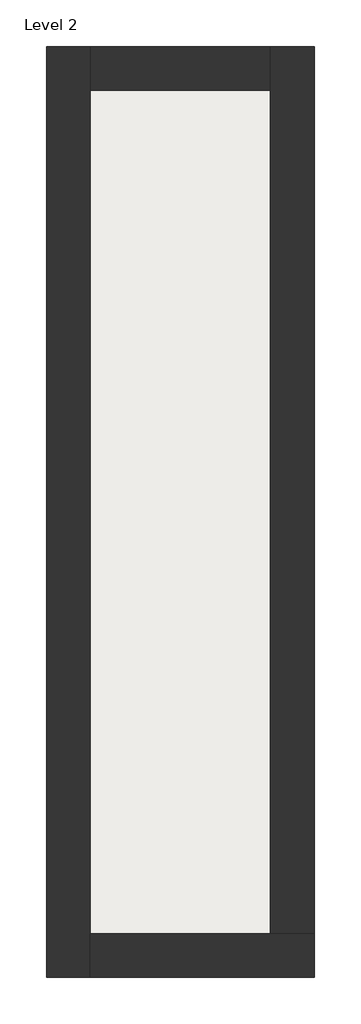
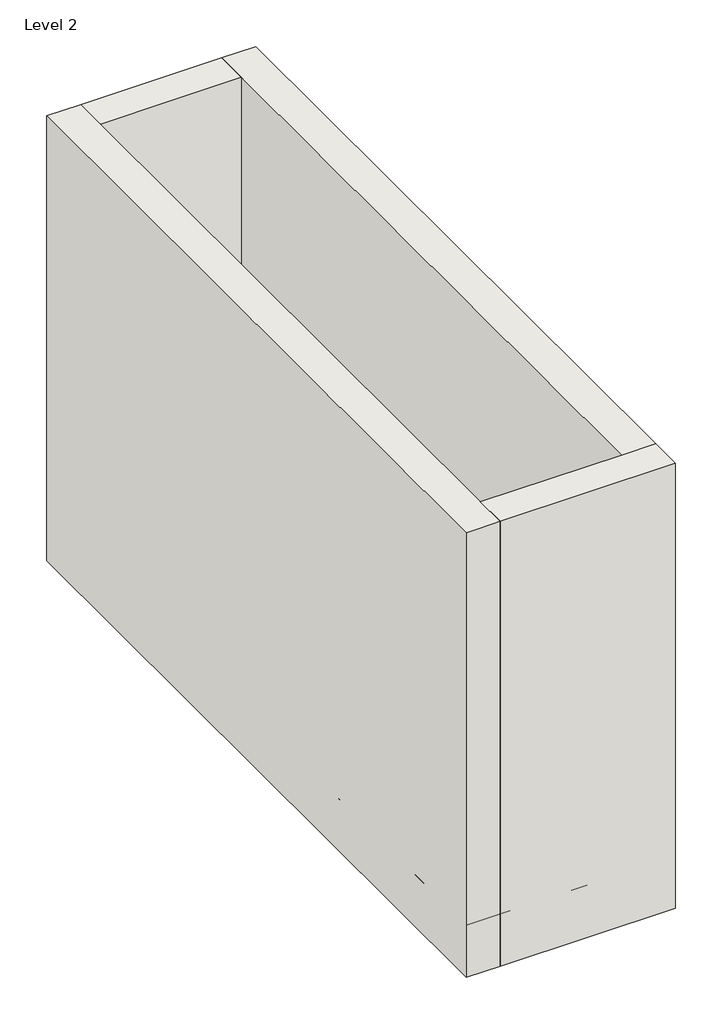
# One storey: 4 walls, 1 slab.
"""IFC4 building model written with IfcOpenShell, lengths in millimetres."""

from ifc_helpers import new_model, si_unit, frame, origin, place, context, project, spatial, polyline, outline, extrude, faceted_brep, element, save

model = new_model("IFC4")

# Units and contexts
model_context = context("Model", 3, world=origin())
ifc_project = project(units=[si_unit("LENGTHUNIT", "METRE", prefix="MILLI")], contexts=[model_context])

# Site, building, storey
site = spatial("IfcSite", under=ifc_project)
building = spatial("IfcBuilding", under=site)
storey = spatial("IfcBuildingStorey", under=building, Name="Level 2", Elevation=2100.0)

# Slab
placement = place(None, origin())
element("IfcSlab", 1, ObjectType="Floor-Grnd-Susp_65Scr-80Ins-100Blk-75PC", at=placement, inside=storey, context=model_context, shape_type="SweptSolid", body=[
    extrude(outline(polyline([(-11888.532022, 4493.0234318), (-10108.532022, 4493.0234318), (-10108.532022, -1686.9765682), (-11888.532022, -1686.9765682), (-11888.532022, 4493.0234318)])), frame((0.0, 0.0, 2100.0), z_axis=(0.0, 0.0, 1.0), x_axis=(1.0, 0.0, 0.0)), (0.0, 0.0, 1.0), 470.0),
])

# Walls
element("IfcWall", 2, at=placement, inside=storey, context=model_context, shape_type="Brep", body=[
    faceted_brep([(-11888.532022, 4493.0234318, 2100.0), (-11888.532022, -1686.9765682, 2100.0), (-11888.532022, -1686.9765682, 6100.0), (-11888.532022, 4493.0234318, 6100.0), (-11598.532022, 4493.0234318, 2100.0), (-11598.532022, 4493.0234318, 6100.0), (-11598.532022, 4203.0234318, 6100.0), (-11598.532022, -1396.9765682, 6100.0), (-11598.532022, -1686.9765682, 6100.0), (-11598.532022, -1686.9765682, 2100.0), (-11598.532022, -1396.9765682, 2100.0), (-11598.532022, 4203.0234318, 2100.0)], [[[0, 1, 2, 3]], [[4, 5, 6, 7, 8, 9, 10, 11]], [[1, 0, 4, 11, 10, 9]], [[3, 2, 8, 7, 6, 5]], [[2, 1, 9, 8]], [[0, 3, 5, 4]]]),
])
element("IfcWall", 3, at=placement, inside=storey, context=model_context, shape_type="Brep", body=[
    faceted_brep([(-11598.532022, -1686.9765682, 2100.0), (-10108.532022, -1686.9765682, 2100.0), (-10108.532022, -1686.9765682, 6100.0), (-11598.532022, -1686.9765682, 6100.0), (-11598.532022, -1396.9765682, 2100.0), (-11598.532022, -1396.9765682, 6100.0), (-10398.532022, -1396.9765682, 6100.0), (-10108.532022, -1396.9765682, 6100.0), (-10108.532022, -1396.9765682, 2100.0), (-10398.532022, -1396.9765682, 2100.0)], [[[0, 1, 2, 3]], [[4, 5, 6, 7, 8, 9]], [[1, 0, 4, 9, 8]], [[3, 2, 7, 6, 5]], [[0, 3, 5, 4]], [[2, 1, 8, 7]]]),
])
element("IfcWall", 4, at=placement, inside=storey, context=model_context, shape_type="Brep", body=[
    faceted_brep([(-10108.532022, -1396.9765682, 2100.0), (-10108.532022, 4493.0234318, 2100.0), (-10108.532022, 4493.0234318, 6100.0), (-10108.532022, -1396.9765682, 6100.0), (-10398.532022, -1396.9765682, 2100.0), (-10398.532022, -1396.9765682, 6100.0), (-10398.532022, 4203.0234318, 6100.0), (-10398.532022, 4493.0234318, 6100.0), (-10398.532022, 4493.0234318, 2100.0), (-10398.532022, 4203.0234318, 2100.0)], [[[0, 1, 2, 3]], [[4, 5, 6, 7, 8, 9]], [[1, 0, 4, 9, 8]], [[3, 2, 7, 6, 5]], [[0, 3, 5, 4]], [[2, 1, 8, 7]]]),
])
element("IfcWall", 5, at=placement, inside=storey, context=model_context, shape_type="SweptSolid", body=[
    extrude(outline(polyline([(-11598.532022, 4493.0234318), (-10398.532022, 4493.0234318), (-10398.532022, 4203.0234318), (-11598.532022, 4203.0234318), (-11598.532022, 4493.0234318)])), frame((0.0, 0.0, 2100.0), z_axis=(0.0, 0.0, 1.0), x_axis=(1.0, 0.0, 0.0)), (0.0, 0.0, 1.0), 4000.0),
])

save(model, "model.ifc")
